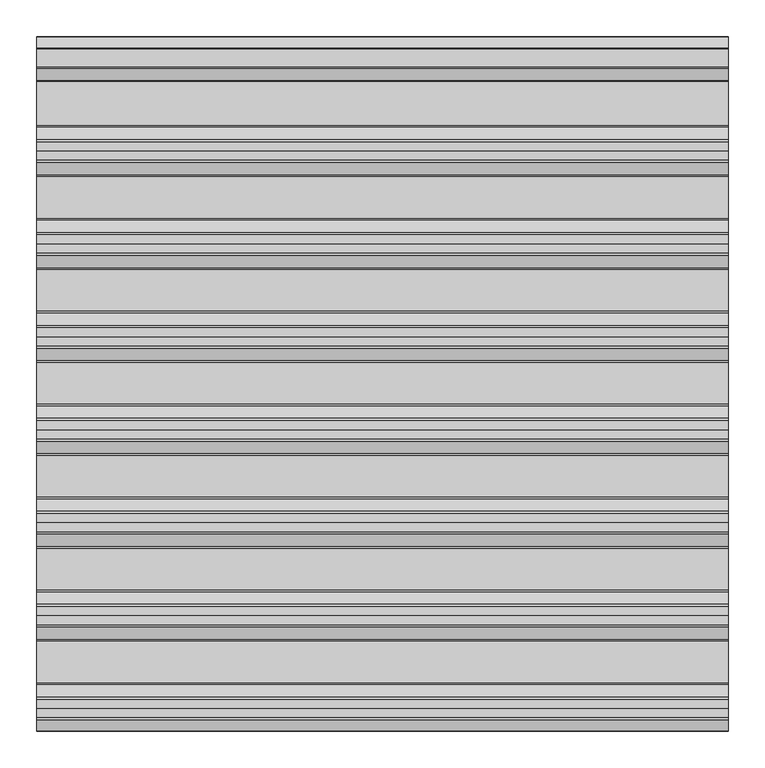
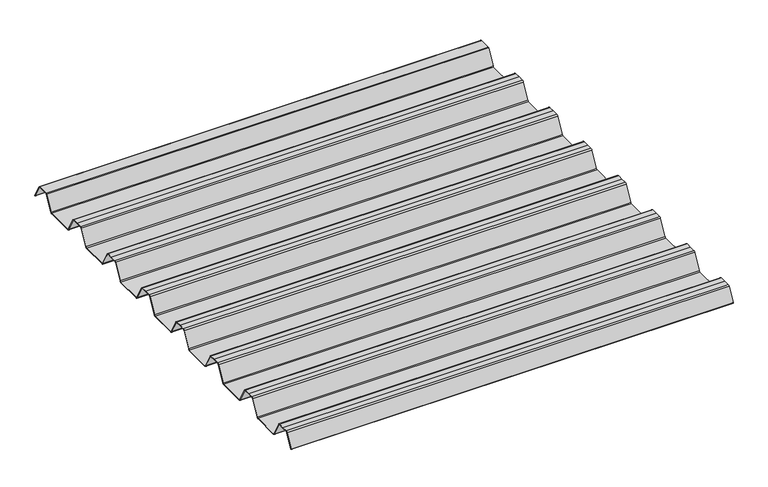
"""IFC4 building model written with IfcOpenShell, lengths in millimetres: beam geometry."""

from ifc_helpers import new_model, si_unit, point, frame, frame_2d, origin, place, context, project, spatial, polyline, circle_curve, trimmed, segment, composite_curve, outline, extrude, source, transform, mapped, element, save


def beam_1f69eecd(model_context):
    return source(origin(), model_context, "Body", "SweptSolid", [
        extrude(outline(composite_curve([segment(trimmed(circle_curve(frame_2d((12.4202706, 6.454055)), 0.7571435), [point((13.1162593, 6.7521591))], [point((12.456054, 7.2103525))], True, "CARTESIAN"), True, "CONTINUOUS"), segment(polyline([(12.456054, 7.2103525), (-12.456054, 7.2103525)]), True, "CONTINUOUS"), segment(trimmed(circle_curve(frame_2d((-12.4202706, 6.454055)), 0.7571435), [point((-12.456054, 7.2103525))], [point((-13.1162593, 6.7521591))], True, "CARTESIAN"), True, "CONTINUOUS"), segment(polyline([(-13.1162593, 6.7521591), (-29.7452902, -24.2632513)]), True, "CONTINUOUS"), segment(trimmed(circle_curve(frame_2d((-32.2956191, -22.8958828)), 2.8937647), [point((-29.7452902, -24.2632513))], [point((-32.2956191, -25.7896475))], False, "CARTESIAN"), True, "CONTINUOUS"), segment(polyline([(-32.2956191, -25.7896475), (-92.0, -25.7896475)]), True, "CONTINUOUS"), segment(trimmed(circle_curve(frame_2d((-91.9202706, -22.03335)), 3.7571435), [point((-92.0, -25.7896475))], [point((-95.2893314, -23.6963464))], False, "CARTESIAN"), True, "CONTINUOUS"), segment(polyline([(-95.2893314, -23.6963464), (-112.0926736, 7.6441785)]), True, "CONTINUOUS"), segment(trimmed(circle_curve(frame_2d((-114.5797294, 6.454055)), 2.7571435), [point((-112.0926736, 7.6441785))], [point((-114.511431, 9.2103525))], True, "CARTESIAN"), True, "CONTINUOUS"), segment(polyline([(-114.511431, 9.2103525), (-127.0, 9.2103525), (-139.488569, 9.2103525)]), True, "CONTINUOUS"), segment(trimmed(circle_curve(frame_2d((-139.4202706, 6.454055)), 2.7571435), [point((-139.488569, 9.2103525))], [point((-141.9073264, 7.6441785))], True, "CARTESIAN"), True, "CONTINUOUS"), segment(polyline([(-141.9073264, 7.6441785), (-158.7106686, -23.6963464)]), True, "CONTINUOUS"), segment(trimmed(circle_curve(frame_2d((-162.0797294, -22.03335)), 3.7571435), [point((-158.7106686, -23.6963464))], [point((-162.0, -25.7896475))], False, "CARTESIAN"), True, "CONTINUOUS"), segment(polyline([(-162.0, -25.7896475), (-219.0, -25.7896475)]), True, "CONTINUOUS"), segment(trimmed(circle_curve(frame_2d((-218.9202706, -22.03335)), 3.7571435), [point((-219.0, -25.7896475))], [point((-222.2893314, -23.6963464))], False, "CARTESIAN"), True, "CONTINUOUS"), segment(polyline([(-222.2893314, -23.6963464), (-239.0926736, 7.6441785)]), True, "CONTINUOUS"), segment(trimmed(circle_curve(frame_2d((-241.5797294, 6.454055)), 2.7571435), [point((-239.0926736, 7.6441785))], [point((-241.511431, 9.2103525))], True, "CARTESIAN"), True, "CONTINUOUS"), segment(polyline([(-241.511431, 9.2103525), (-254.0, 9.2103525), (-266.488569, 9.2103525)]), True, "CONTINUOUS"), segment(trimmed(circle_curve(frame_2d((-266.4202706, 6.454055)), 2.7571435), [point((-266.488569, 9.2103525))], [point((-268.9073264, 7.6441785))], True, "CARTESIAN"), True, "CONTINUOUS"), segment(polyline([(-268.9073264, 7.6441785), (-285.7106686, -23.6963464)]), True, "CONTINUOUS"), segment(trimmed(circle_curve(frame_2d((-289.0797294, -22.03335)), 3.7571435), [point((-285.7106686, -23.6963464))], [point((-289.0, -25.7896475))], False, "CARTESIAN"), True, "CONTINUOUS"), segment(polyline([(-289.0, -25.7896475), (-346.0, -25.7896475)]), True, "CONTINUOUS"), segment(trimmed(circle_curve(frame_2d((-345.9202706, -22.03335)), 3.7571435), [point((-346.0, -25.7896475))], [point((-349.2893314, -23.6963464))], False, "CARTESIAN"), True, "CONTINUOUS"), segment(polyline([(-349.2893314, -23.6963464), (-366.0926736, 7.6441785)]), True, "CONTINUOUS"), segment(trimmed(circle_curve(frame_2d((-368.5797294, 6.454055)), 2.7571435), [point((-366.0926736, 7.6441785))], [point((-368.511431, 9.2103525))], True, "CARTESIAN"), True, "CONTINUOUS"), segment(polyline([(-368.511431, 9.2103525), (-381.0, 9.2103525), (-393.488569, 9.2103525)]), True, "CONTINUOUS"), segment(trimmed(circle_curve(frame_2d((-393.4202706, 6.454055)), 2.7571435), [point((-393.488569, 9.2103525))], [point((-395.9073264, 7.6441785))], True, "CARTESIAN"), True, "CONTINUOUS"), segment(polyline([(-395.9073264, 7.6441785), (-412.7106686, -23.6963464)]), True, "CONTINUOUS"), segment(trimmed(circle_curve(frame_2d((-416.0797294, -22.03335)), 3.7571435), [point((-412.7106686, -23.6963464))], [point((-416.0, -25.7896475))], False, "CARTESIAN"), True, "CONTINUOUS"), segment(polyline([(-416.0, -25.7896475), (-473.0, -25.7896475)]), True, "CONTINUOUS"), segment(trimmed(circle_curve(frame_2d((-472.9202706, -22.03335)), 3.7571435), [point((-473.0, -25.7896475))], [point((-476.2893314, -23.6963464))], False, "CARTESIAN"), True, "CONTINUOUS"), segment(polyline([(-476.2893314, -23.6963464), (-493.0926736, 7.6441785)]), True, "CONTINUOUS"), segment(trimmed(circle_curve(frame_2d((-495.5797294, 6.454055)), 2.7571435), [point((-493.0926736, 7.6441785))], [point((-495.511431, 9.2103525))], True, "CARTESIAN"), True, "CONTINUOUS"), segment(polyline([(-495.511431, 9.2103525), (-508.0, 9.2103525), (-520.488569, 9.2103525)]), True, "CONTINUOUS"), segment(trimmed(circle_curve(frame_2d((-520.4202706, 6.454055)), 2.7571435), [point((-520.488569, 9.2103525))], [point((-522.9073264, 7.6441785))], True, "CARTESIAN"), True, "CONTINUOUS"), segment(polyline([(-522.9073264, 7.6441785), (-539.7106686, -23.6963464)]), True, "CONTINUOUS"), segment(trimmed(circle_curve(frame_2d((-543.0797294, -22.03335)), 3.7571435), [point((-539.7106686, -23.6963464))], [point((-543.0, -25.7896475))], False, "CARTESIAN"), True, "CONTINUOUS"), segment(polyline([(-543.0, -25.7896475), (-600.0, -25.7896475)]), True, "CONTINUOUS"), segment(trimmed(circle_curve(frame_2d((-599.9202706, -22.03335)), 3.7571435), [point((-600.0, -25.7896475))], [point((-603.2893314, -23.6963464))], False, "CARTESIAN"), True, "CONTINUOUS"), segment(polyline([(-603.2893314, -23.6963464), (-620.0926736, 7.6441785)]), True, "CONTINUOUS"), segment(trimmed(circle_curve(frame_2d((-622.5797294, 6.454055)), 2.7571435), [point((-620.0926736, 7.6441785))], [point((-622.511431, 9.2103525))], True, "CARTESIAN"), True, "CONTINUOUS"), segment(polyline([(-622.511431, 9.2103525), (-635.0, 9.2103525), (-647.488569, 9.2103525)]), True, "CONTINUOUS"), segment(trimmed(circle_curve(frame_2d((-647.4202706, 6.454055)), 2.7571435), [point((-647.488569, 9.2103525))], [point((-649.9073264, 7.6441785))], True, "CARTESIAN"), True, "CONTINUOUS"), segment(polyline([(-649.9073264, 7.6441785), (-666.7106686, -23.6963464)]), True, "CONTINUOUS"), segment(trimmed(circle_curve(frame_2d((-670.0797294, -22.03335)), 3.7571435), [point((-666.7106686, -23.6963464))], [point((-670.0, -25.7896475))], False, "CARTESIAN"), True, "CONTINUOUS"), segment(polyline([(-670.0, -25.7896475), (-727.0, -25.7896475)]), True, "CONTINUOUS"), segment(trimmed(circle_curve(frame_2d((-726.9202706, -22.03335)), 3.7571435), [point((-727.0, -25.7896475))], [point((-730.2893314, -23.6963464))], False, "CARTESIAN"), True, "CONTINUOUS"), segment(polyline([(-730.2893314, -23.6963464), (-747.0926736, 7.6441785)]), True, "CONTINUOUS"), segment(trimmed(circle_curve(frame_2d((-749.5797294, 6.454055)), 2.7571435), [point((-747.0926736, 7.6441785))], [point((-749.511431, 9.2103525))], True, "CARTESIAN"), True, "CONTINUOUS"), segment(polyline([(-749.511431, 9.2103525), (-762.0, 9.2103525), (-774.488569, 9.2103525)]), True, "CONTINUOUS"), segment(trimmed(circle_curve(frame_2d((-774.4202706, 6.454055)), 2.7571435), [point((-774.488569, 9.2103525))], [point((-776.9073264, 7.6441785))], True, "CARTESIAN"), True, "CONTINUOUS"), segment(polyline([(-776.9073264, 7.6441785), (-793.7106686, -23.6963464)]), True, "CONTINUOUS"), segment(trimmed(circle_curve(frame_2d((-797.0797294, -22.03335)), 3.7571435), [point((-793.7106686, -23.6963464))], [point((-797.0, -25.7896475))], False, "CARTESIAN"), True, "CONTINUOUS"), segment(polyline([(-797.0, -25.7896475), (-854.0, -25.7896475)]), True, "CONTINUOUS"), segment(trimmed(circle_curve(frame_2d((-853.9202706, -22.03335)), 3.7571435), [point((-854.0, -25.7896475))], [point((-857.2893314, -23.6963464))], False, "CARTESIAN"), True, "CONTINUOUS"), segment(polyline([(-857.2893314, -23.6963464), (-874.0926736, 7.6441785)]), True, "CONTINUOUS"), segment(trimmed(circle_curve(frame_2d((-876.5797294, 6.454055)), 2.7571435), [point((-874.0926736, 7.6441785))], [point((-876.511431, 9.2103525))], True, "CARTESIAN"), True, "CONTINUOUS"), segment(polyline([(-876.511431, 9.2103525), (-889.0, 9.2103525), (-901.488569, 9.2103525)]), True, "CONTINUOUS"), segment(trimmed(circle_curve(frame_2d((-901.4202706, 6.454055)), 2.7571435), [point((-901.488569, 9.2103525))], [point((-903.9073264, 7.6441785))], True, "CARTESIAN"), True, "CONTINUOUS"), segment(polyline([(-903.9073264, 7.6441785), (-918.9585755, -20.4284536)]), True, "CONTINUOUS"), segment(trimmed(circle_curve(frame_2d((-919.3992348, -20.1921924)), 0.5), [point((-918.9585755, -20.4284536))], [point((-919.8398941, -19.9559313))], False, "CARTESIAN"), True, "CONTINUOUS"), segment(polyline([(-919.8398941, -19.9559313), (-904.7986379, 8.0980628)]), True, "CONTINUOUS"), segment(trimmed(circle_curve(frame_2d((-901.4202706, 6.454055)), 3.7571435), [point((-904.7986379, 8.0980628))], [point((-901.5, 10.2103525))], False, "CARTESIAN"), True, "CONTINUOUS"), segment(polyline([(-901.5, 10.2103525), (-889.0, 10.2103525), (-876.5, 10.2103525)]), True, "CONTINUOUS"), segment(trimmed(circle_curve(frame_2d((-876.5797294, 6.454055)), 3.7571435), [point((-876.5, 10.2103525))], [point((-873.2013621, 8.0980628))], False, "CARTESIAN"), True, "CONTINUOUS"), segment(polyline([(-873.2013621, 8.0980628), (-856.3994529, -23.2397892)]), True, "CONTINUOUS"), segment(trimmed(circle_curve(frame_2d((-853.9202706, -22.03335)), 2.7571435), [point((-856.3994529, -23.2397892))], [point((-853.988569, -24.7896475))], True, "CARTESIAN"), True, "CONTINUOUS"), segment(polyline([(-853.988569, -24.7896475), (-797.011431, -24.7896475)]), True, "CONTINUOUS"), segment(trimmed(circle_curve(frame_2d((-797.0797294, -22.03335)), 2.7571435), [point((-797.011431, -24.7896475))], [point((-794.6005471, -23.2397892))], True, "CARTESIAN"), True, "CONTINUOUS"), segment(polyline([(-794.6005471, -23.2397892), (-777.7986379, 8.0980628)]), True, "CONTINUOUS"), segment(trimmed(circle_curve(frame_2d((-774.4202706, 6.454055)), 3.7571435), [point((-777.7986379, 8.0980628))], [point((-774.5, 10.2103525))], False, "CARTESIAN"), True, "CONTINUOUS"), segment(polyline([(-774.5, 10.2103525), (-762.0, 10.2103525), (-749.5, 10.2103525)]), True, "CONTINUOUS"), segment(trimmed(circle_curve(frame_2d((-749.5797294, 6.454055)), 3.7571435), [point((-749.5, 10.2103525))], [point((-746.2013621, 8.0980628))], False, "CARTESIAN"), True, "CONTINUOUS"), segment(polyline([(-746.2013621, 8.0980628), (-729.3994529, -23.2397892)]), True, "CONTINUOUS"), segment(trimmed(circle_curve(frame_2d((-726.9202706, -22.03335)), 2.7571435), [point((-729.3994529, -23.2397892))], [point((-726.988569, -24.7896475))], True, "CARTESIAN"), True, "CONTINUOUS"), segment(polyline([(-726.988569, -24.7896475), (-670.011431, -24.7896475)]), True, "CONTINUOUS"), segment(trimmed(circle_curve(frame_2d((-670.0797294, -22.03335)), 2.7571435), [point((-670.011431, -24.7896475))], [point((-667.6005471, -23.2397892))], True, "CARTESIAN"), True, "CONTINUOUS"), segment(polyline([(-667.6005471, -23.2397892), (-650.7986379, 8.0980628)]), True, "CONTINUOUS"), segment(trimmed(circle_curve(frame_2d((-647.4202706, 6.454055)), 3.7571435), [point((-650.7986379, 8.0980628))], [point((-647.5, 10.2103525))], False, "CARTESIAN"), True, "CONTINUOUS"), segment(polyline([(-647.5, 10.2103525), (-635.0, 10.2103525), (-622.5, 10.2103525)]), True, "CONTINUOUS"), segment(trimmed(circle_curve(frame_2d((-622.5797294, 6.454055)), 3.7571435), [point((-622.5, 10.2103525))], [point((-619.2013621, 8.0980628))], False, "CARTESIAN"), True, "CONTINUOUS"), segment(polyline([(-619.2013621, 8.0980628), (-602.3994529, -23.2397892)]), True, "CONTINUOUS"), segment(trimmed(circle_curve(frame_2d((-599.9202706, -22.03335)), 2.7571435), [point((-602.3994529, -23.2397892))], [point((-599.988569, -24.7896475))], True, "CARTESIAN"), True, "CONTINUOUS"), segment(polyline([(-599.988569, -24.7896475), (-543.011431, -24.7896475)]), True, "CONTINUOUS"), segment(trimmed(circle_curve(frame_2d((-543.0797294, -22.03335)), 2.7571435), [point((-543.011431, -24.7896475))], [point((-540.6005471, -23.2397892))], True, "CARTESIAN"), True, "CONTINUOUS"), segment(polyline([(-540.6005471, -23.2397892), (-523.7986379, 8.0980628)]), True, "CONTINUOUS"), segment(trimmed(circle_curve(frame_2d((-520.4202706, 6.454055)), 3.7571435), [point((-523.7986379, 8.0980628))], [point((-520.5, 10.2103525))], False, "CARTESIAN"), True, "CONTINUOUS"), segment(polyline([(-520.5, 10.2103525), (-508.0, 10.2103525), (-495.5, 10.2103525)]), True, "CONTINUOUS"), segment(trimmed(circle_curve(frame_2d((-495.5797294, 6.454055)), 3.7571435), [point((-495.5, 10.2103525))], [point((-492.2013621, 8.0980628))], False, "CARTESIAN"), True, "CONTINUOUS"), segment(polyline([(-492.2013621, 8.0980628), (-475.3994529, -23.2397892)]), True, "CONTINUOUS"), segment(trimmed(circle_curve(frame_2d((-472.9202706, -22.03335)), 2.7571435), [point((-475.3994529, -23.2397892))], [point((-472.988569, -24.7896475))], True, "CARTESIAN"), True, "CONTINUOUS"), segment(polyline([(-472.988569, -24.7896475), (-416.011431, -24.7896475)]), True, "CONTINUOUS"), segment(trimmed(circle_curve(frame_2d((-416.0797294, -22.03335)), 2.7571435), [point((-416.011431, -24.7896475))], [point((-413.6005471, -23.2397892))], True, "CARTESIAN"), True, "CONTINUOUS"), segment(polyline([(-413.6005471, -23.2397892), (-396.7986379, 8.0980628)]), True, "CONTINUOUS"), segment(trimmed(circle_curve(frame_2d((-393.4202706, 6.454055)), 3.7571435), [point((-396.7986379, 8.0980628))], [point((-393.5, 10.2103525))], False, "CARTESIAN"), True, "CONTINUOUS"), segment(polyline([(-393.5, 10.2103525), (-381.0, 10.2103525), (-368.5, 10.2103525)]), True, "CONTINUOUS"), segment(trimmed(circle_curve(frame_2d((-368.5797294, 6.454055)), 3.7571435), [point((-368.5, 10.2103525))], [point((-365.2013621, 8.0980628))], False, "CARTESIAN"), True, "CONTINUOUS"), segment(polyline([(-365.2013621, 8.0980628), (-348.3994529, -23.2397892)]), True, "CONTINUOUS"), segment(trimmed(circle_curve(frame_2d((-345.9202706, -22.03335)), 2.7571435), [point((-348.3994529, -23.2397892))], [point((-345.988569, -24.7896475))], True, "CARTESIAN"), True, "CONTINUOUS"), segment(polyline([(-345.988569, -24.7896475), (-289.011431, -24.7896475)]), True, "CONTINUOUS"), segment(trimmed(circle_curve(frame_2d((-289.0797294, -22.03335)), 2.7571435), [point((-289.011431, -24.7896475))], [point((-286.6005471, -23.2397892))], True, "CARTESIAN"), True, "CONTINUOUS"), segment(polyline([(-286.6005471, -23.2397892), (-269.7986379, 8.0980628)]), True, "CONTINUOUS"), segment(trimmed(circle_curve(frame_2d((-266.4202706, 6.454055)), 3.7571435), [point((-269.7986379, 8.0980628))], [point((-266.5, 10.2103525))], False, "CARTESIAN"), True, "CONTINUOUS"), segment(polyline([(-266.5, 10.2103525), (-254.0, 10.2103525), (-241.5, 10.2103525)]), True, "CONTINUOUS"), segment(trimmed(circle_curve(frame_2d((-241.5797294, 6.454055)), 3.7571435), [point((-241.5, 10.2103525))], [point((-238.2013621, 8.0980628))], False, "CARTESIAN"), True, "CONTINUOUS"), segment(polyline([(-238.2013621, 8.0980628), (-221.3994529, -23.2397892)]), True, "CONTINUOUS"), segment(trimmed(circle_curve(frame_2d((-218.9202706, -22.03335)), 2.7571435), [point((-221.3994529, -23.2397892))], [point((-218.988569, -24.7896475))], True, "CARTESIAN"), True, "CONTINUOUS"), segment(polyline([(-218.988569, -24.7896475), (-162.011431, -24.7896475)]), True, "CONTINUOUS"), segment(trimmed(circle_curve(frame_2d((-162.0797294, -22.03335)), 2.7571435), [point((-162.011431, -24.7896475))], [point((-159.6005471, -23.2397892))], True, "CARTESIAN"), True, "CONTINUOUS"), segment(polyline([(-159.6005471, -23.2397892), (-142.7986379, 8.0980628)]), True, "CONTINUOUS"), segment(trimmed(circle_curve(frame_2d((-139.4202706, 6.454055)), 3.7571435), [point((-142.7986379, 8.0980628))], [point((-139.5, 10.2103525))], False, "CARTESIAN"), True, "CONTINUOUS"), segment(polyline([(-139.5, 10.2103525), (-127.0, 10.2103525), (-114.5, 10.2103525)]), True, "CONTINUOUS"), segment(trimmed(circle_curve(frame_2d((-114.5797294, 6.454055)), 3.7571435), [point((-114.5, 10.2103525))], [point((-111.2013621, 8.0980628))], False, "CARTESIAN"), True, "CONTINUOUS"), segment(polyline([(-111.2013621, 8.0980628), (-94.3994529, -23.2397892)]), True, "CONTINUOUS"), segment(trimmed(circle_curve(frame_2d((-91.9202706, -22.03335)), 2.7571435), [point((-94.3994529, -23.2397892))], [point((-91.988569, -24.7896475))], True, "CARTESIAN"), True, "CONTINUOUS"), segment(polyline([(-91.988569, -24.7896475), (-32.2956191, -24.7896475)]), True, "CONTINUOUS"), segment(trimmed(circle_curve(frame_2d((-32.2956191, -22.8958828)), 1.8937647), [point((-32.2956191, -24.7896475))], [point((-30.6266089, -23.790729))], True, "CARTESIAN"), True, "CONTINUOUS"), segment(polyline([(-30.6266089, -23.790729), (-14.013963, 7.1941212)]), True, "CONTINUOUS"), segment(trimmed(circle_curve(frame_2d((-12.4202706, 6.454055)), 1.7571435), [point((-14.013963, 7.1941212))], [point((-12.4747918, 8.2103525))], False, "CARTESIAN"), True, "CONTINUOUS"), segment(polyline([(-12.4747918, 8.2103525), (12.4747918, 8.2103525)]), True, "CONTINUOUS"), segment(trimmed(circle_curve(frame_2d((12.4202706, 6.454055)), 1.7571435), [point((12.4747918, 8.2103525))], [point((14.013963, 7.1941212))], False, "CARTESIAN"), True, "CONTINUOUS"), segment(polyline([(14.013963, 7.1941212), (29.5895021, -21.8563833)]), True, "CONTINUOUS"), segment(trimmed(circle_curve(frame_2d((29.1488427, -22.0926445)), 0.5), [point((29.5895021, -21.8563833))], [point((28.7081834, -22.3289057))], False, "CARTESIAN"), True, "CONTINUOUS"), segment(polyline([(28.7081834, -22.3289057), (13.1162593, 6.7521591)]), True, "CONTINUOUS")], self_intersect=False)), frame((-472.5002337, 0.0, 0.0), z_axis=(1.0, 0.0, 0.0), x_axis=(0.0, 1.0, 0.0)), (0.0, 0.0, 1.0), 945.0004675),
    ])


if __name__ == "__main__":
    model = new_model("IFC4")
    model_context = context("Model", 3, world=origin())
    ifc_project = project(units=[si_unit("LENGTHUNIT", "METRE", prefix="MILLI")], contexts=[model_context])
    site = spatial("IfcSite", under=ifc_project)
    building = spatial("IfcBuilding", under=site)
    placement = place(None, origin())
    beam_shape = beam_1f69eecd(model_context)
    element("IfcBeam", 1, at=placement, inside=building, context=model_context, shape_type="MappedRepresentation", body=[
        mapped(beam_shape, transform((0.0, 0.0, 0.0), x_axis=(1.0, 0.0, 0.0), y_axis=(0.0, 1.0, 0.0), z_axis=(0.0, 0.0, 1.0))),
    ])
    save(model, "model.ifc")
